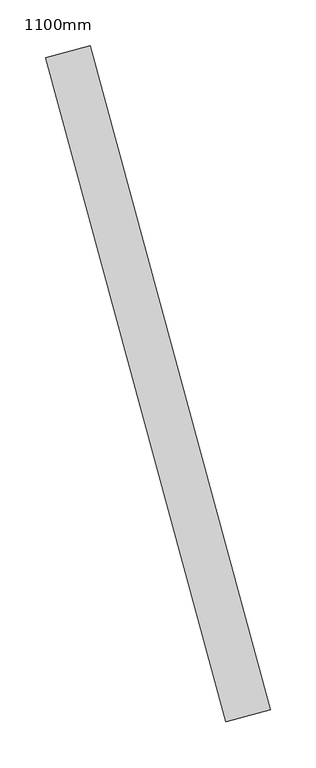
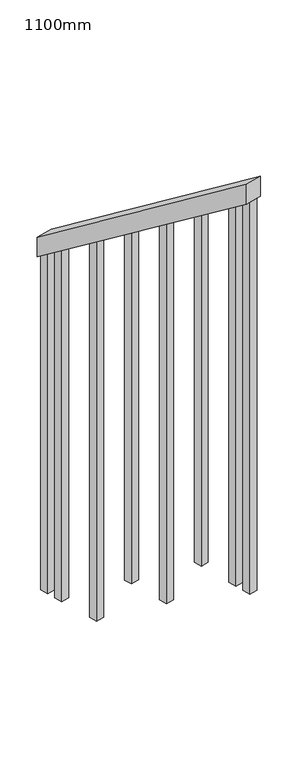
"""IFC4 building model written with IfcOpenShell, lengths in millimetres: railing geometry, 1100mm."""

import ifcopenshell
import ifcopenshell.guid

model = None  # the IFC model being written
_history = None  # IfcOwnerHistory: only IFC2X3 demands one
_inside = {}  # id of a spatial element -> (the spatial element, [elements in it])
_under = {}  # id of a project, library or spatial element -> (it, [spatial elements below it])
_declared = {}  # id of a project -> (the project, [libraries it declares])
_typed = {}  # id of a type object -> (the type object, [elements of that type])
_made_of = {}  # id of a material, layer set ... -> (it, [elements and type objects made of it])


def new_model(schema):
    """Start an empty IFC model of exactly this schema.

    Asked for "IFC4X3", IfcOpenShell would pick the latest addendum, in which some entities
    have other attributes; the version numbers below select the first issue.
    IFC2X3 requires an IfcOwnerHistory on every rooted entity: one is made here for all.
    """
    global model, _history
    if schema == "IFC4X3":
        model = ifcopenshell.file(schema_version=(4, 3, 0, 0))
    else:
        model = ifcopenshell.file(schema=schema)
    _inside.clear()
    _under.clear()
    _declared.clear()
    _typed.clear()
    _made_of.clear()
    _history = None
    if model.schema == "IFC2X3":
        org = make("IfcOrganization", Name="unknown")
        user = make(
            "IfcPersonAndOrganization",
            ThePerson=make("IfcPerson", FamilyName="unknown"),
            TheOrganization=org,
        )
        app = make(
            "IfcApplication",
            ApplicationDeveloper=org,
            Version="unknown",
            ApplicationFullName="unknown",
            ApplicationIdentifier="unknown",
        )
        _history = make(
            "IfcOwnerHistory",
            OwningUser=user,
            OwningApplication=app,
            ChangeAction="ADDED",
            CreationDate=0,
        )
    return model


def make(cls, **values):
    """One entity of the class cls with the attributes given. An attribute that is None is left unset."""
    return model.create_entity(
        cls, **{name: value for name, value in values.items() if value is not None}
    )


def rooted(cls, **values):
    """An entity with a GlobalId (a new one), such as an element, a storey or a relation."""
    return make(cls, GlobalId=ifcopenshell.guid.new(), OwnerHistory=_history, **values)


def si_unit(unit_type, name, prefix=None):
    """IfcSIUnit, for example si_unit("LENGTHUNIT", "METRE", prefix="MILLI")."""
    return make("IfcSIUnit", UnitType=unit_type, Prefix=prefix, Name=name)


def assignment(units):
    """IfcUnitAssignment: the units of a project."""
    return None if units is None else make("IfcUnitAssignment", Units=units)


def point(xyz):
    """IfcCartesianPoint."""
    return None if xyz is None else make("IfcCartesianPoint", Coordinates=xyz)


def direction(xyz):
    """IfcDirection."""
    return None if xyz is None else make("IfcDirection", DirectionRatios=xyz)


def frame(location, z_axis=None, x_axis=None):
    """IfcAxis2Placement3D, a coordinate frame: its origin and axes. An axis left out is left unset."""
    return make(
        "IfcAxis2Placement3D",
        Location=point(location),
        Axis=direction(z_axis),
        RefDirection=direction(x_axis),
    )


def origin():
    """The frame at (0, 0, 0) with its axes left unset."""
    return frame((0.0, 0.0, 0.0))


def place(relative_to, where):
    """IfcLocalPlacement: puts the frame where relative to a parent placement (None: the world)."""
    return make(
        "IfcLocalPlacement", PlacementRelTo=relative_to, RelativePlacement=where
    )


def context(
    kind, dimensions, precision=None, world=None, true_north=None, identifier=None
):
    """IfcGeometricRepresentationContext, for example the 3D "Model" context."""
    return make(
        "IfcGeometricRepresentationContext",
        ContextIdentifier=identifier,
        ContextType=kind,
        CoordinateSpaceDimension=dimensions,
        Precision=precision,
        WorldCoordinateSystem=world,
        TrueNorth=true_north,
    )


def project(units=None, contexts=None):
    """IfcProject with its units and contexts."""
    return rooted(
        "IfcProject",
        Name="project",
        RepresentationContexts=contexts,
        UnitsInContext=assignment(units),
    )


def spatial(cls, under=None, at=None, **own):
    """A site, building, storey or space (cls), placed at a placement, below another one or the project."""
    s = rooted(cls, ObjectPlacement=at, **own)
    if under is not None:
        _under.setdefault(under.id(), (under, []))[1].append(s)
    return s


def polyline(points):
    """IfcPolyline through the points."""
    return make("IfcPolyline", Points=[point(p) for p in points])


def outline(outer, holes=None, kind="AREA"):
    """IfcArbitraryClosedProfileDef: a profile drawn as a closed curve; with holes, ...WithVoids."""
    if holes is None:
        return make("IfcArbitraryClosedProfileDef", ProfileType=kind, OuterCurve=outer)
    return make(
        "IfcArbitraryProfileDefWithVoids",
        ProfileType=kind,
        OuterCurve=outer,
        InnerCurves=holes,
    )


def extrude(swept, where, along, depth):
    """IfcExtrudedAreaSolid: the profile swept, set in the frame where, extruded along a direction by depth."""
    return make(
        "IfcExtrudedAreaSolid",
        SweptArea=swept,
        Position=where,
        ExtrudedDirection=direction(along),
        Depth=depth,
    )


def shape(context_of_items, identifier, shape_type, items):
    """IfcShapeRepresentation: the items that make up one representation, for example the "Body"."""
    return make(
        "IfcShapeRepresentation",
        ContextOfItems=context_of_items,
        RepresentationIdentifier=identifier,
        RepresentationType=shape_type,
        Items=items,
    )


def source(mapping_origin, context_of_items, identifier, shape_type, items):
    """IfcRepresentationMap: a shape defined once, which mapped items show again and again."""
    return make(
        "IfcRepresentationMap",
        MappingOrigin=mapping_origin,
        MappedRepresentation=shape(context_of_items, identifier, shape_type, items),
    )


def transform(
    local_origin,
    x_axis=None,
    y_axis=None,
    z_axis=None,
    scale=None,
    scale2=None,
    scale3=None,
    uniform=True,
):
    """IfcCartesianTransformationOperator3D, or its non-uniform kind. x_axis, y_axis, z_axis: its Axis1, 2, 3."""
    if uniform:
        return make(
            "IfcCartesianTransformationOperator3D",
            Axis1=direction(x_axis),
            Axis2=direction(y_axis),
            LocalOrigin=point(local_origin),
            Scale=scale,
            Axis3=direction(z_axis),
        )
    return make(
        "IfcCartesianTransformationOperator3DnonUniform",
        Axis1=direction(x_axis),
        Axis2=direction(y_axis),
        LocalOrigin=point(local_origin),
        Scale=scale,
        Axis3=direction(z_axis),
        Scale2=scale2,
        Scale3=scale3,
    )


def mapped(mapping_source, mapping_target):
    """IfcMappedItem: shows the shape of a source again, moved by a transform."""
    return make(
        "IfcMappedItem", MappingSource=mapping_source, MappingTarget=mapping_target
    )


def made_of(thing, what):
    """Note that an element or type object is made of a material, layer set ...; save() writes the relation."""
    if what is not None:
        _made_of.setdefault(what.id(), (what, []))[1].append(thing)
    return thing


def element(
    cls,
    number,
    at=None,
    inside=None,
    cuts=None,
    type_object=None,
    material=None,
    context=None,
    identifier="Body",
    shape_type=None,
    held_by="IfcProductDefinitionShape",
    body=None,
    shapes=None,
    **own,
):
    """One element of the class cls, such as IfcWall. Its Tag is "e" and its number.

    at: its placement. inside: the storey or other place that contains it. cuts: it is an
    opening in that element (IfcRelVoidsElement). A single representation is given by context,
    identifier, shape_type and body (its items); several are given by shapes. held_by: the class
    of the entity that holds the representations. save() writes the other relations.
    """
    e = rooted(cls, Tag="e%d" % number, ObjectPlacement=at, **own)
    if body is not None:
        shapes = [shape(context, identifier, shape_type, body)]
    if shapes is not None:
        e.Representation = make(held_by, Representations=shapes)
    if inside is not None:
        _inside.setdefault(inside.id(), (inside, []))[1].append(e)
    if cuts is not None:
        rooted(
            "IfcRelVoidsElement", RelatingBuildingElement=cuts, RelatedOpeningElement=e
        )
    if type_object is not None:
        _typed.setdefault(type_object.id(), (type_object, []))[1].append(e)
    return made_of(e, material)


def aggregate(whole, parts):
    """IfcRelAggregates: a whole, such as a stair, and the parts it consists of."""
    return rooted("IfcRelAggregates", RelatingObject=whole, RelatedObjects=parts)


def save(model, path):
    """Write the relations noted so far, then the file.

    IfcRelAggregates (storeys below a building ...), IfcRelContainedInSpatialStructure (elements
    in a storey), IfcRelDefinesByType, IfcRelAssociatesMaterial and IfcRelDeclares: one each for
    every whole, place, type object, material and project.
    """
    for whole, parts in _under.values():
        aggregate(whole, parts)
    for where, things in _inside.values():
        rooted(
            "IfcRelContainedInSpatialStructure",
            RelatedElements=things,
            RelatingStructure=where,
        )
    for kind, things in _typed.values():
        rooted("IfcRelDefinesByType", RelatedObjects=things, RelatingType=kind)
    for what, things in _made_of.values():
        rooted("IfcRelAssociatesMaterial", RelatedObjects=things, RelatingMaterial=what)
    for by, libraries in _declared.values():
        rooted("IfcRelDeclares", RelatingContext=by, RelatedDefinitions=libraries)
    model.write(path)


def railing_1100mm_71353048(model_context):
    return source(origin(), model_context, "Body", "SweptSolid", [
        extrude(outline(polyline([(35.5555555, -50.0), (0.0, 0.0), (920.2958462, 0.0), (955.8514017, -49.9999999), (35.5555555, -50.0)])), frame((227522.2740435, 47630.2009682, 1216.4247214), z_axis=(0.964989412360186, 0.2622888370341804, 0.0), x_axis=(0.2137536843159558, -0.7864232597554223, 0.5795237863599824)), (0.0, 0.0, 1.0), 50.0),
        extrude(outline(polyline([(108.8888889, 0.0), (1271.980277, 0.0), (1271.980277, -25.0), (91.1111112, -25.0), (108.8888889, 0.0)])), frame((227711.3813762, 46982.1117253, 1805.3136103), z_axis=(0.9649894123601861, 0.26228883703418043, 0.0), x_axis=(0.0, 0.0, -1.0)), (0.0, 0.0, 1.0), 25.0),
        extrude(outline(polyline([(108.8888889, 0.0), (1183.0913881, 0.0), (1183.0913881, -25.0), (91.1111111, -25.0), (108.8888889, 0.0)])), frame((227678.5952715, 47102.7354019, 1716.4247214), z_axis=(0.9649894123601861, 0.26228883703418043, 0.0), x_axis=(0.0, 0.0, -1.0)), (0.0, 0.0, 1.0), 25.0),
        extrude(outline(polyline([(108.8888889, 0.0), (1271.9802769, 0.0), (1271.9802769, -25.0), (91.1111111, -25.0), (108.8888889, 0.0)])), frame((227645.8091669, 47223.3590784, 1627.5358325), z_axis=(0.9649894123601861, 0.26228883703418043, 0.0), x_axis=(0.0, 0.0, -1.0)), (0.0, 0.0, 1.0), 25.0),
        extrude(outline(polyline([(108.8888889, 0.0), (1183.091388, 0.0), (1183.091388, -25.0), (91.1111111, -25.0), (108.8888889, 0.0)])), frame((227613.0230623, 47343.982755, 1538.6469436), z_axis=(0.9649894123601861, 0.26228883703418043, 0.0), x_axis=(0.0, 0.0, -1.0)), (0.0, 0.0, 1.0), 25.0),
        extrude(outline(polyline([(108.8888889, 0.0), (1271.9802769, 0.0), (1271.9802769, -25.0), (91.1111111, -25.0), (108.8888889, 0.0)])), frame((227580.2369577, 47464.6064315, 1449.7580547), z_axis=(0.9649894123601861, 0.26228883703418043, 0.0), x_axis=(0.0, 0.0, -1.0)), (0.0, 0.0, 1.0), 25.0),
        extrude(outline(polyline([(108.8888889, 0.0), (1183.091388, 0.0), (1183.091388, -25.0), (91.1111111, -25.0), (108.8888889, 0.0)])), frame((227547.450853, 47585.2301081, 1360.8691658), z_axis=(0.9649894123601861, 0.26228883703418043, 0.0), x_axis=(0.0, 0.0, -1.0)), (0.0, 0.0, 1.0), 25.0),
        extrude(outline(polyline([(108.8888889, 0.0), (1307.5358325, 0.0), (1307.5358325, -25.0), (91.1111111, -25.0), (108.8888889, 0.0)])), frame((227724.495818, 46933.8622547, 1840.8691658), z_axis=(0.9649894123601861, 0.26228883703418043, 0.0), x_axis=(0.0, 0.0, -1.0)), (0.0, 0.0, 1.0), 25.0),
        extrude(outline(polyline([(108.8888889, 0.0), (1147.5358325, 0.0), (1147.5358325, -25.0), (91.1111112, -25.0), (108.8888889, 0.0)])), frame((227534.3364112, 47633.4795787, 1325.3136103), z_axis=(0.9649894123601861, 0.26228883703418043, 0.0), x_axis=(0.0, 0.0, -1.0)), (0.0, 0.0, 1.0), 25.0),
    ])


if __name__ == "__main__":
    model = new_model("IFC4")
    model_context = context("Model", 3, world=origin())
    ifc_project = project(units=[si_unit("LENGTHUNIT", "METRE", prefix="MILLI")], contexts=[model_context])
    site = spatial("IfcSite", under=ifc_project)
    building = spatial("IfcBuilding", under=site)
    placement = place(None, origin())
    railing_1100mm_shape = railing_1100mm_71353048(model_context)
    element("IfcRailing", 1, ObjectType="1100mm", at=placement, inside=building, context=model_context, shape_type="MappedRepresentation", body=[
        mapped(railing_1100mm_shape, transform((0.0, 0.0, 0.0), x_axis=(1.0, 0.0, 0.0), y_axis=(0.0, 1.0, 0.0), z_axis=(0.0, 0.0, 1.0))),
    ])
    save(model, "model.ifc")
